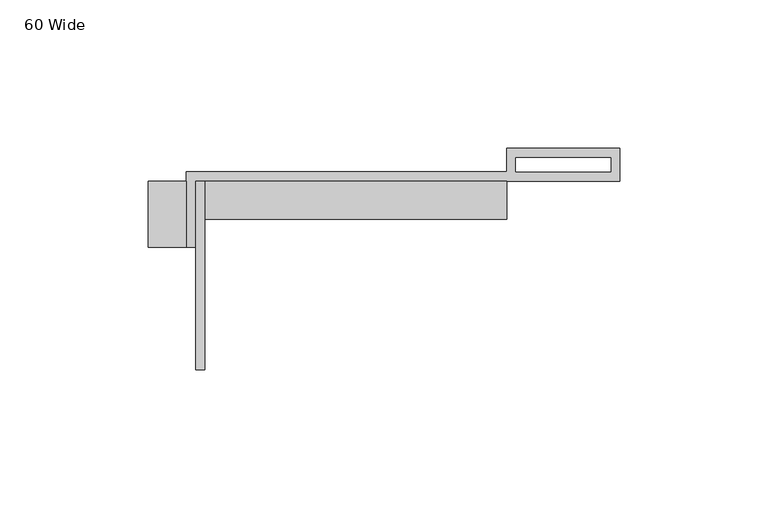
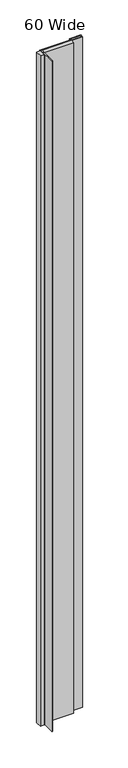
"""IFC4 building model written with IfcOpenShell, lengths in millimetres: proxy geometry, 60 Wide."""

import ifcopenshell
import ifcopenshell.guid

model = None  # the IFC model being written
_history = None  # IfcOwnerHistory: only IFC2X3 demands one
_inside = {}  # id of a spatial element -> (the spatial element, [elements in it])
_under = {}  # id of a project, library or spatial element -> (it, [spatial elements below it])
_declared = {}  # id of a project -> (the project, [libraries it declares])
_typed = {}  # id of a type object -> (the type object, [elements of that type])
_made_of = {}  # id of a material, layer set ... -> (it, [elements and type objects made of it])


def new_model(schema):
    """Start an empty IFC model of exactly this schema.

    Asked for "IFC4X3", IfcOpenShell would pick the latest addendum, in which some entities
    have other attributes; the version numbers below select the first issue.
    IFC2X3 requires an IfcOwnerHistory on every rooted entity: one is made here for all.
    """
    global model, _history
    if schema == "IFC4X3":
        model = ifcopenshell.file(schema_version=(4, 3, 0, 0))
    else:
        model = ifcopenshell.file(schema=schema)
    _inside.clear()
    _under.clear()
    _declared.clear()
    _typed.clear()
    _made_of.clear()
    _history = None
    if model.schema == "IFC2X3":
        org = make("IfcOrganization", Name="unknown")
        user = make(
            "IfcPersonAndOrganization",
            ThePerson=make("IfcPerson", FamilyName="unknown"),
            TheOrganization=org,
        )
        app = make(
            "IfcApplication",
            ApplicationDeveloper=org,
            Version="unknown",
            ApplicationFullName="unknown",
            ApplicationIdentifier="unknown",
        )
        _history = make(
            "IfcOwnerHistory",
            OwningUser=user,
            OwningApplication=app,
            ChangeAction="ADDED",
            CreationDate=0,
        )
    return model


def make(cls, **values):
    """One entity of the class cls with the attributes given. An attribute that is None is left unset."""
    return model.create_entity(
        cls, **{name: value for name, value in values.items() if value is not None}
    )


def rooted(cls, **values):
    """An entity with a GlobalId (a new one), such as an element, a storey or a relation."""
    return make(cls, GlobalId=ifcopenshell.guid.new(), OwnerHistory=_history, **values)


def si_unit(unit_type, name, prefix=None):
    """IfcSIUnit, for example si_unit("LENGTHUNIT", "METRE", prefix="MILLI")."""
    return make("IfcSIUnit", UnitType=unit_type, Prefix=prefix, Name=name)


def assignment(units):
    """IfcUnitAssignment: the units of a project."""
    return None if units is None else make("IfcUnitAssignment", Units=units)


def point(xyz):
    """IfcCartesianPoint."""
    return None if xyz is None else make("IfcCartesianPoint", Coordinates=xyz)


def direction(xyz):
    """IfcDirection."""
    return None if xyz is None else make("IfcDirection", DirectionRatios=xyz)


def frame(location, z_axis=None, x_axis=None):
    """IfcAxis2Placement3D, a coordinate frame: its origin and axes. An axis left out is left unset."""
    return make(
        "IfcAxis2Placement3D",
        Location=point(location),
        Axis=direction(z_axis),
        RefDirection=direction(x_axis),
    )


def origin():
    """The frame at (0, 0, 0) with its axes left unset."""
    return frame((0.0, 0.0, 0.0))


def origin_with_axes():
    """The frame at (0, 0, 0) with the z axis (0, 0, 1) and the x axis (1, 0, 0) written out."""
    return frame((0.0, 0.0, 0.0), z_axis=(0.0, 0.0, 1.0), x_axis=(1.0, 0.0, 0.0))


def place(relative_to, where):
    """IfcLocalPlacement: puts the frame where relative to a parent placement (None: the world)."""
    return make(
        "IfcLocalPlacement", PlacementRelTo=relative_to, RelativePlacement=where
    )


def context(
    kind, dimensions, precision=None, world=None, true_north=None, identifier=None
):
    """IfcGeometricRepresentationContext, for example the 3D "Model" context."""
    return make(
        "IfcGeometricRepresentationContext",
        ContextIdentifier=identifier,
        ContextType=kind,
        CoordinateSpaceDimension=dimensions,
        Precision=precision,
        WorldCoordinateSystem=world,
        TrueNorth=true_north,
    )


def project(units=None, contexts=None):
    """IfcProject with its units and contexts."""
    return rooted(
        "IfcProject",
        Name="project",
        RepresentationContexts=contexts,
        UnitsInContext=assignment(units),
    )


def spatial(cls, under=None, at=None, **own):
    """A site, building, storey or space (cls), placed at a placement, below another one or the project."""
    s = rooted(cls, ObjectPlacement=at, **own)
    if under is not None:
        _under.setdefault(under.id(), (under, []))[1].append(s)
    return s


def polyline(points):
    """IfcPolyline through the points."""
    return make("IfcPolyline", Points=[point(p) for p in points])


def outline(outer, holes=None, kind="AREA"):
    """IfcArbitraryClosedProfileDef: a profile drawn as a closed curve; with holes, ...WithVoids."""
    if holes is None:
        return make("IfcArbitraryClosedProfileDef", ProfileType=kind, OuterCurve=outer)
    return make(
        "IfcArbitraryProfileDefWithVoids",
        ProfileType=kind,
        OuterCurve=outer,
        InnerCurves=holes,
    )


def extrude(swept, where, along, depth):
    """IfcExtrudedAreaSolid: the profile swept, set in the frame where, extruded along a direction by depth."""
    return make(
        "IfcExtrudedAreaSolid",
        SweptArea=swept,
        Position=where,
        ExtrudedDirection=direction(along),
        Depth=depth,
    )


def shape(context_of_items, identifier, shape_type, items):
    """IfcShapeRepresentation: the items that make up one representation, for example the "Body"."""
    return make(
        "IfcShapeRepresentation",
        ContextOfItems=context_of_items,
        RepresentationIdentifier=identifier,
        RepresentationType=shape_type,
        Items=items,
    )


def source(mapping_origin, context_of_items, identifier, shape_type, items):
    """IfcRepresentationMap: a shape defined once, which mapped items show again and again."""
    return make(
        "IfcRepresentationMap",
        MappingOrigin=mapping_origin,
        MappedRepresentation=shape(context_of_items, identifier, shape_type, items),
    )


def transform(
    local_origin,
    x_axis=None,
    y_axis=None,
    z_axis=None,
    scale=None,
    scale2=None,
    scale3=None,
    uniform=True,
):
    """IfcCartesianTransformationOperator3D, or its non-uniform kind. x_axis, y_axis, z_axis: its Axis1, 2, 3."""
    if uniform:
        return make(
            "IfcCartesianTransformationOperator3D",
            Axis1=direction(x_axis),
            Axis2=direction(y_axis),
            LocalOrigin=point(local_origin),
            Scale=scale,
            Axis3=direction(z_axis),
        )
    return make(
        "IfcCartesianTransformationOperator3DnonUniform",
        Axis1=direction(x_axis),
        Axis2=direction(y_axis),
        LocalOrigin=point(local_origin),
        Scale=scale,
        Axis3=direction(z_axis),
        Scale2=scale2,
        Scale3=scale3,
    )


def mapped(mapping_source, mapping_target):
    """IfcMappedItem: shows the shape of a source again, moved by a transform."""
    return make(
        "IfcMappedItem", MappingSource=mapping_source, MappingTarget=mapping_target
    )


def made_of(thing, what):
    """Note that an element or type object is made of a material, layer set ...; save() writes the relation."""
    if what is not None:
        _made_of.setdefault(what.id(), (what, []))[1].append(thing)
    return thing


def element(
    cls,
    number,
    at=None,
    inside=None,
    cuts=None,
    type_object=None,
    material=None,
    context=None,
    identifier="Body",
    shape_type=None,
    held_by="IfcProductDefinitionShape",
    body=None,
    shapes=None,
    **own,
):
    """One element of the class cls, such as IfcWall. Its Tag is "e" and its number.

    at: its placement. inside: the storey or other place that contains it. cuts: it is an
    opening in that element (IfcRelVoidsElement). A single representation is given by context,
    identifier, shape_type and body (its items); several are given by shapes. held_by: the class
    of the entity that holds the representations. save() writes the other relations.
    """
    e = rooted(cls, Tag="e%d" % number, ObjectPlacement=at, **own)
    if body is not None:
        shapes = [shape(context, identifier, shape_type, body)]
    if shapes is not None:
        e.Representation = make(held_by, Representations=shapes)
    if inside is not None:
        _inside.setdefault(inside.id(), (inside, []))[1].append(e)
    if cuts is not None:
        rooted(
            "IfcRelVoidsElement", RelatingBuildingElement=cuts, RelatedOpeningElement=e
        )
    if type_object is not None:
        _typed.setdefault(type_object.id(), (type_object, []))[1].append(e)
    return made_of(e, material)


def aggregate(whole, parts):
    """IfcRelAggregates: a whole, such as a stair, and the parts it consists of."""
    return rooted("IfcRelAggregates", RelatingObject=whole, RelatedObjects=parts)


def save(model, path):
    """Write the relations noted so far, then the file.

    IfcRelAggregates (storeys below a building ...), IfcRelContainedInSpatialStructure (elements
    in a storey), IfcRelDefinesByType, IfcRelAssociatesMaterial and IfcRelDeclares: one each for
    every whole, place, type object, material and project.
    """
    for whole, parts in _under.values():
        aggregate(whole, parts)
    for where, things in _inside.values():
        rooted(
            "IfcRelContainedInSpatialStructure",
            RelatedElements=things,
            RelatingStructure=where,
        )
    for kind, things in _typed.values():
        rooted("IfcRelDefinesByType", RelatedObjects=things, RelatingType=kind)
    for what, things in _made_of.values():
        rooted("IfcRelAssociatesMaterial", RelatedObjects=things, RelatingMaterial=what)
    for by, libraries in _declared.values():
        rooted("IfcRelDeclares", RelatingContext=by, RelatedDefinitions=libraries)
    model.write(path)


def proxy_60_wide_f5641501(model_context):
    return source(origin(), model_context, "Body", "SweptSolid", [
        extrude(outline(polyline([(-101.6, 0.0), (-101.6, -63.5), (-104.775, -63.5), (-104.775, 0.0), (-101.6, 0.0)])), origin_with_axes(), (0.0, 0.0, 1.0), 2438.4),
        extrude(outline(polyline([(-107.95, 0.0), (-107.95, -22.225), (-120.65, -22.225), (-120.65, 0.0), (-107.95, 0.0)])), origin_with_axes(), (0.0, 0.0, 1.0), 2438.4),
        extrude(outline(polyline([(0.0, 0.0), (0.0, -12.7), (-104.775, -12.7), (-104.775, 0.0), (0.0, 0.0)])), origin_with_axes(), (0.0, 0.0, 1.0), 2438.4),
        extrude(outline(polyline([(-107.95, -22.225), (-107.95, 3.175), (0.0, 3.175), (0.0, 11.1125), (38.1, 11.1125), (38.1, 0.0), (-104.775, 0.0), (-104.775, -22.225), (-107.95, -22.225)]), holes=[polyline([(3.175, 3.175), (35.1499571, 3.175), (35.1499571, 7.9375), (3.175, 7.9375), (3.175, 3.175)])]), origin_with_axes(), (0.0, 0.0, 1.0), 2438.4),
    ])


if __name__ == "__main__":
    model = new_model("IFC4")
    model_context = context("Model", 3, world=origin())
    ifc_project = project(units=[si_unit("LENGTHUNIT", "METRE", prefix="MILLI")], contexts=[model_context])
    site = spatial("IfcSite", under=ifc_project)
    building = spatial("IfcBuilding", under=site)
    placement = place(None, origin())
    proxy_60_wide_shape = proxy_60_wide_f5641501(model_context)
    element("IfcBuildingElementProxy", 1, Name="60 Wide", ObjectType="60 Wide", at=placement, inside=building, context=model_context, shape_type="MappedRepresentation", body=[
        mapped(proxy_60_wide_shape, transform((0.0, 0.0, 0.0), x_axis=(1.0, 0.0, 0.0), y_axis=(0.0, 1.0, 0.0), z_axis=(0.0, 0.0, 1.0))),
    ])
    save(model, "model.ifc")
